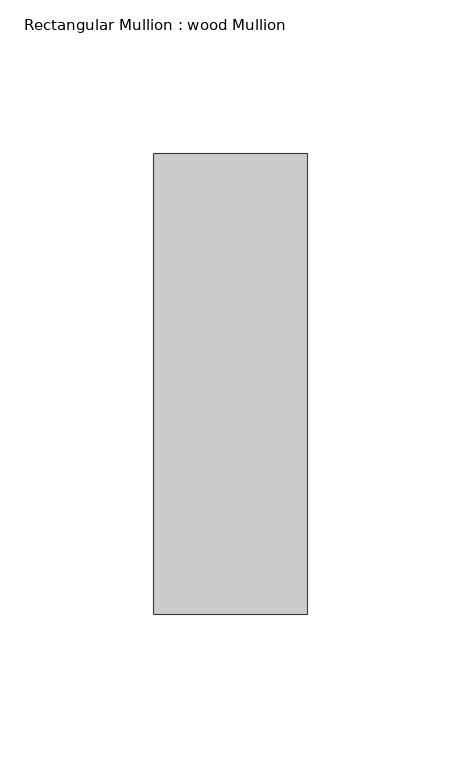
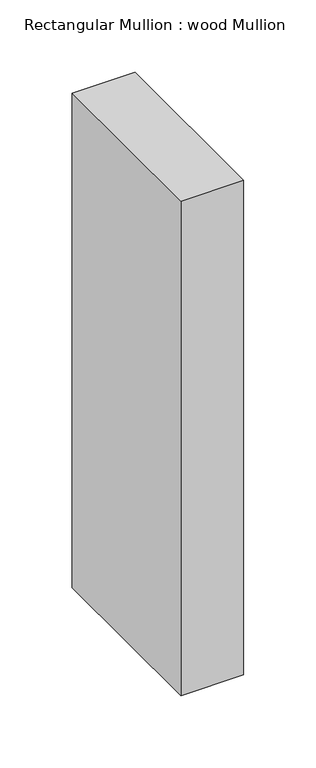
"""IFC4 building model written with IfcOpenShell, lengths in millimetres: member geometry, Rectangular Mullion : wood Mullion."""

from ifc_helpers import new_model, si_unit, frame, origin, place, context, project, spatial, polyline, outline, extrude, source, transform, mapped, element, save


def rectangular_mullion_wood_mullion_416bf04b(model_context):
    return source(origin(), model_context, "Body", "SweptSolid", [
        extrude(outline(polyline([(0.0, 75.0), (0.0, -75.0), (-50.0, -75.0), (-50.0, 75.0), (0.0, 75.0)])), frame((0.0, 0.0, -416.3783692), z_axis=(0.0, 0.0, 1.0), x_axis=(1.0, 0.0, 0.0)), (0.0, 0.0, 1.0), 416.3783692),
    ])


if __name__ == "__main__":
    model = new_model("IFC4")
    model_context = context("Model", 3, world=origin())
    ifc_project = project(units=[si_unit("LENGTHUNIT", "METRE", prefix="MILLI")], contexts=[model_context])
    site = spatial("IfcSite", under=ifc_project)
    building = spatial("IfcBuilding", under=site)
    placement = place(None, origin())
    rectangular_mullion_wood_mullion_shape = rectangular_mullion_wood_mullion_416bf04b(model_context)
    element("IfcMember", 1, ObjectType="Rectangular Mullion : wood Mullion", at=placement, inside=building, context=model_context, shape_type="MappedRepresentation", body=[
        mapped(rectangular_mullion_wood_mullion_shape, transform((0.0, 0.0, 0.0), x_axis=(1.0, 0.0, 0.0), y_axis=(0.0, 1.0, 0.0), z_axis=(0.0, 0.0, 1.0))),
    ])
    save(model, "model.ifc")
